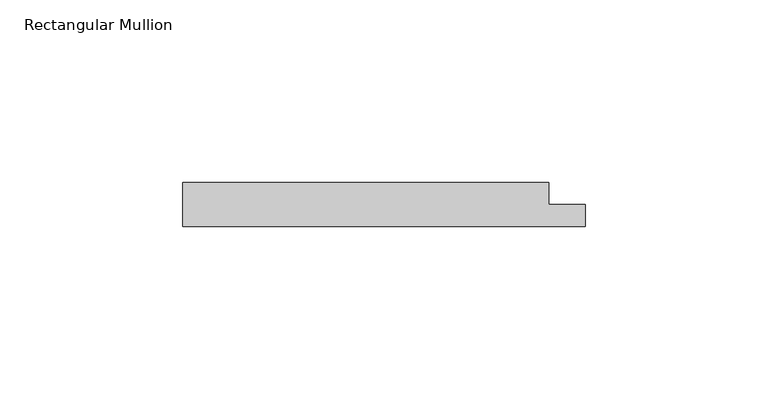
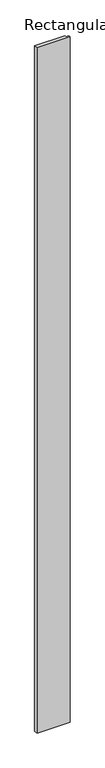
"""IFC4 building model written with IfcOpenShell, lengths in millimetres: member geometry, Rectangular Mullion."""

import ifcopenshell
import ifcopenshell.guid

model = None  # the IFC model being written
_history = None  # IfcOwnerHistory: only IFC2X3 demands one
_inside = {}  # id of a spatial element -> (the spatial element, [elements in it])
_under = {}  # id of a project, library or spatial element -> (it, [spatial elements below it])
_declared = {}  # id of a project -> (the project, [libraries it declares])
_typed = {}  # id of a type object -> (the type object, [elements of that type])
_made_of = {}  # id of a material, layer set ... -> (it, [elements and type objects made of it])


def new_model(schema):
    """Start an empty IFC model of exactly this schema.

    Asked for "IFC4X3", IfcOpenShell would pick the latest addendum, in which some entities
    have other attributes; the version numbers below select the first issue.
    IFC2X3 requires an IfcOwnerHistory on every rooted entity: one is made here for all.
    """
    global model, _history
    if schema == "IFC4X3":
        model = ifcopenshell.file(schema_version=(4, 3, 0, 0))
    else:
        model = ifcopenshell.file(schema=schema)
    _inside.clear()
    _under.clear()
    _declared.clear()
    _typed.clear()
    _made_of.clear()
    _history = None
    if model.schema == "IFC2X3":
        org = make("IfcOrganization", Name="unknown")
        user = make(
            "IfcPersonAndOrganization",
            ThePerson=make("IfcPerson", FamilyName="unknown"),
            TheOrganization=org,
        )
        app = make(
            "IfcApplication",
            ApplicationDeveloper=org,
            Version="unknown",
            ApplicationFullName="unknown",
            ApplicationIdentifier="unknown",
        )
        _history = make(
            "IfcOwnerHistory",
            OwningUser=user,
            OwningApplication=app,
            ChangeAction="ADDED",
            CreationDate=0,
        )
    return model


def make(cls, **values):
    """One entity of the class cls with the attributes given. An attribute that is None is left unset."""
    return model.create_entity(
        cls, **{name: value for name, value in values.items() if value is not None}
    )


def rooted(cls, **values):
    """An entity with a GlobalId (a new one), such as an element, a storey or a relation."""
    return make(cls, GlobalId=ifcopenshell.guid.new(), OwnerHistory=_history, **values)


def si_unit(unit_type, name, prefix=None):
    """IfcSIUnit, for example si_unit("LENGTHUNIT", "METRE", prefix="MILLI")."""
    return make("IfcSIUnit", UnitType=unit_type, Prefix=prefix, Name=name)


def assignment(units):
    """IfcUnitAssignment: the units of a project."""
    return None if units is None else make("IfcUnitAssignment", Units=units)


def point(xyz):
    """IfcCartesianPoint."""
    return None if xyz is None else make("IfcCartesianPoint", Coordinates=xyz)


def direction(xyz):
    """IfcDirection."""
    return None if xyz is None else make("IfcDirection", DirectionRatios=xyz)


def frame(location, z_axis=None, x_axis=None):
    """IfcAxis2Placement3D, a coordinate frame: its origin and axes. An axis left out is left unset."""
    return make(
        "IfcAxis2Placement3D",
        Location=point(location),
        Axis=direction(z_axis),
        RefDirection=direction(x_axis),
    )


def origin():
    """The frame at (0, 0, 0) with its axes left unset."""
    return frame((0.0, 0.0, 0.0))


def place(relative_to, where):
    """IfcLocalPlacement: puts the frame where relative to a parent placement (None: the world)."""
    return make(
        "IfcLocalPlacement", PlacementRelTo=relative_to, RelativePlacement=where
    )


def context(
    kind, dimensions, precision=None, world=None, true_north=None, identifier=None
):
    """IfcGeometricRepresentationContext, for example the 3D "Model" context."""
    return make(
        "IfcGeometricRepresentationContext",
        ContextIdentifier=identifier,
        ContextType=kind,
        CoordinateSpaceDimension=dimensions,
        Precision=precision,
        WorldCoordinateSystem=world,
        TrueNorth=true_north,
    )


def project(units=None, contexts=None):
    """IfcProject with its units and contexts."""
    return rooted(
        "IfcProject",
        Name="project",
        RepresentationContexts=contexts,
        UnitsInContext=assignment(units),
    )


def spatial(cls, under=None, at=None, **own):
    """A site, building, storey or space (cls), placed at a placement, below another one or the project."""
    s = rooted(cls, ObjectPlacement=at, **own)
    if under is not None:
        _under.setdefault(under.id(), (under, []))[1].append(s)
    return s


def polyline(points):
    """IfcPolyline through the points."""
    return make("IfcPolyline", Points=[point(p) for p in points])


def outline(outer, holes=None, kind="AREA"):
    """IfcArbitraryClosedProfileDef: a profile drawn as a closed curve; with holes, ...WithVoids."""
    if holes is None:
        return make("IfcArbitraryClosedProfileDef", ProfileType=kind, OuterCurve=outer)
    return make(
        "IfcArbitraryProfileDefWithVoids",
        ProfileType=kind,
        OuterCurve=outer,
        InnerCurves=holes,
    )


def extrude(swept, where, along, depth):
    """IfcExtrudedAreaSolid: the profile swept, set in the frame where, extruded along a direction by depth."""
    return make(
        "IfcExtrudedAreaSolid",
        SweptArea=swept,
        Position=where,
        ExtrudedDirection=direction(along),
        Depth=depth,
    )


def shape(context_of_items, identifier, shape_type, items):
    """IfcShapeRepresentation: the items that make up one representation, for example the "Body"."""
    return make(
        "IfcShapeRepresentation",
        ContextOfItems=context_of_items,
        RepresentationIdentifier=identifier,
        RepresentationType=shape_type,
        Items=items,
    )


def source(mapping_origin, context_of_items, identifier, shape_type, items):
    """IfcRepresentationMap: a shape defined once, which mapped items show again and again."""
    return make(
        "IfcRepresentationMap",
        MappingOrigin=mapping_origin,
        MappedRepresentation=shape(context_of_items, identifier, shape_type, items),
    )


def transform(
    local_origin,
    x_axis=None,
    y_axis=None,
    z_axis=None,
    scale=None,
    scale2=None,
    scale3=None,
    uniform=True,
):
    """IfcCartesianTransformationOperator3D, or its non-uniform kind. x_axis, y_axis, z_axis: its Axis1, 2, 3."""
    if uniform:
        return make(
            "IfcCartesianTransformationOperator3D",
            Axis1=direction(x_axis),
            Axis2=direction(y_axis),
            LocalOrigin=point(local_origin),
            Scale=scale,
            Axis3=direction(z_axis),
        )
    return make(
        "IfcCartesianTransformationOperator3DnonUniform",
        Axis1=direction(x_axis),
        Axis2=direction(y_axis),
        LocalOrigin=point(local_origin),
        Scale=scale,
        Axis3=direction(z_axis),
        Scale2=scale2,
        Scale3=scale3,
    )


def mapped(mapping_source, mapping_target):
    """IfcMappedItem: shows the shape of a source again, moved by a transform."""
    return make(
        "IfcMappedItem", MappingSource=mapping_source, MappingTarget=mapping_target
    )


def made_of(thing, what):
    """Note that an element or type object is made of a material, layer set ...; save() writes the relation."""
    if what is not None:
        _made_of.setdefault(what.id(), (what, []))[1].append(thing)
    return thing


def element(
    cls,
    number,
    at=None,
    inside=None,
    cuts=None,
    type_object=None,
    material=None,
    context=None,
    identifier="Body",
    shape_type=None,
    held_by="IfcProductDefinitionShape",
    body=None,
    shapes=None,
    **own,
):
    """One element of the class cls, such as IfcWall. Its Tag is "e" and its number.

    at: its placement. inside: the storey or other place that contains it. cuts: it is an
    opening in that element (IfcRelVoidsElement). A single representation is given by context,
    identifier, shape_type and body (its items); several are given by shapes. held_by: the class
    of the entity that holds the representations. save() writes the other relations.
    """
    e = rooted(cls, Tag="e%d" % number, ObjectPlacement=at, **own)
    if body is not None:
        shapes = [shape(context, identifier, shape_type, body)]
    if shapes is not None:
        e.Representation = make(held_by, Representations=shapes)
    if inside is not None:
        _inside.setdefault(inside.id(), (inside, []))[1].append(e)
    if cuts is not None:
        rooted(
            "IfcRelVoidsElement", RelatingBuildingElement=cuts, RelatedOpeningElement=e
        )
    if type_object is not None:
        _typed.setdefault(type_object.id(), (type_object, []))[1].append(e)
    return made_of(e, material)


def aggregate(whole, parts):
    """IfcRelAggregates: a whole, such as a stair, and the parts it consists of."""
    return rooted("IfcRelAggregates", RelatingObject=whole, RelatedObjects=parts)


def save(model, path):
    """Write the relations noted so far, then the file.

    IfcRelAggregates (storeys below a building ...), IfcRelContainedInSpatialStructure (elements
    in a storey), IfcRelDefinesByType, IfcRelAssociatesMaterial and IfcRelDeclares: one each for
    every whole, place, type object, material and project.
    """
    for whole, parts in _under.values():
        aggregate(whole, parts)
    for where, things in _inside.values():
        rooted(
            "IfcRelContainedInSpatialStructure",
            RelatedElements=things,
            RelatingStructure=where,
        )
    for kind, things in _typed.values():
        rooted("IfcRelDefinesByType", RelatedObjects=things, RelatingType=kind)
    for what, things in _made_of.values():
        rooted("IfcRelAssociatesMaterial", RelatedObjects=things, RelatingMaterial=what)
    for by, libraries in _declared.values():
        rooted("IfcRelDeclares", RelatingContext=by, RelatedDefinitions=libraries)
    model.write(path)


def rectangular_mullion_873d0000(model_context):
    return source(origin(), model_context, "Body", "SweptSolid", [
        extrude(outline(polyline([(55.0, 0.0), (-55.0, 0.0), (-55.0, 12.0), (45.0, 12.0), (45.0, 6.0), (55.0, 6.0), (55.0, 0.0)])), frame((0.0, 0.0, -2400.0), z_axis=(0.0, 0.0, 1.0), x_axis=(1.0, 0.0, 0.0)), (0.0, 0.0, 1.0), 2400.0),
    ])


if __name__ == "__main__":
    model = new_model("IFC4")
    model_context = context("Model", 3, world=origin())
    ifc_project = project(units=[si_unit("LENGTHUNIT", "METRE", prefix="MILLI")], contexts=[model_context])
    site = spatial("IfcSite", under=ifc_project)
    building = spatial("IfcBuilding", under=site)
    placement = place(None, origin())
    rectangular_mullion_shape = rectangular_mullion_873d0000(model_context)
    element("IfcMember", 1, ObjectType="Rectangular Mullion", at=placement, inside=building, context=model_context, shape_type="MappedRepresentation", body=[
        mapped(rectangular_mullion_shape, transform((0.0, 0.0, 0.0), x_axis=(1.0, 0.0, 0.0), y_axis=(0.0, 1.0, 0.0), z_axis=(0.0, 0.0, 1.0))),
    ])
    save(model, "model.ifc")
